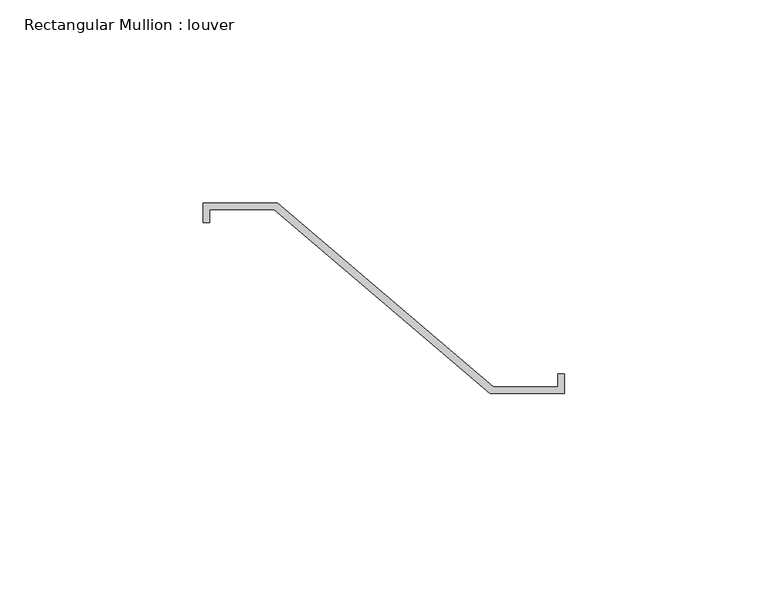
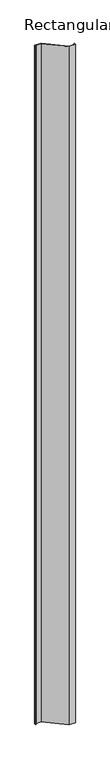
"""IFC4 building model written with IfcOpenShell, lengths in millimetres: member geometry, Rectangular Mullion : louver."""

import ifcopenshell
import ifcopenshell.guid

model = None  # the IFC model being written
_history = None  # IfcOwnerHistory: only IFC2X3 demands one
_inside = {}  # id of a spatial element -> (the spatial element, [elements in it])
_under = {}  # id of a project, library or spatial element -> (it, [spatial elements below it])
_declared = {}  # id of a project -> (the project, [libraries it declares])
_typed = {}  # id of a type object -> (the type object, [elements of that type])
_made_of = {}  # id of a material, layer set ... -> (it, [elements and type objects made of it])


def new_model(schema):
    """Start an empty IFC model of exactly this schema.

    Asked for "IFC4X3", IfcOpenShell would pick the latest addendum, in which some entities
    have other attributes; the version numbers below select the first issue.
    IFC2X3 requires an IfcOwnerHistory on every rooted entity: one is made here for all.
    """
    global model, _history
    if schema == "IFC4X3":
        model = ifcopenshell.file(schema_version=(4, 3, 0, 0))
    else:
        model = ifcopenshell.file(schema=schema)
    _inside.clear()
    _under.clear()
    _declared.clear()
    _typed.clear()
    _made_of.clear()
    _history = None
    if model.schema == "IFC2X3":
        org = make("IfcOrganization", Name="unknown")
        user = make(
            "IfcPersonAndOrganization",
            ThePerson=make("IfcPerson", FamilyName="unknown"),
            TheOrganization=org,
        )
        app = make(
            "IfcApplication",
            ApplicationDeveloper=org,
            Version="unknown",
            ApplicationFullName="unknown",
            ApplicationIdentifier="unknown",
        )
        _history = make(
            "IfcOwnerHistory",
            OwningUser=user,
            OwningApplication=app,
            ChangeAction="ADDED",
            CreationDate=0,
        )
    return model


def make(cls, **values):
    """One entity of the class cls with the attributes given. An attribute that is None is left unset."""
    return model.create_entity(
        cls, **{name: value for name, value in values.items() if value is not None}
    )


def rooted(cls, **values):
    """An entity with a GlobalId (a new one), such as an element, a storey or a relation."""
    return make(cls, GlobalId=ifcopenshell.guid.new(), OwnerHistory=_history, **values)


def si_unit(unit_type, name, prefix=None):
    """IfcSIUnit, for example si_unit("LENGTHUNIT", "METRE", prefix="MILLI")."""
    return make("IfcSIUnit", UnitType=unit_type, Prefix=prefix, Name=name)


def assignment(units):
    """IfcUnitAssignment: the units of a project."""
    return None if units is None else make("IfcUnitAssignment", Units=units)


def point(xyz):
    """IfcCartesianPoint."""
    return None if xyz is None else make("IfcCartesianPoint", Coordinates=xyz)


def direction(xyz):
    """IfcDirection."""
    return None if xyz is None else make("IfcDirection", DirectionRatios=xyz)


def frame(location, z_axis=None, x_axis=None):
    """IfcAxis2Placement3D, a coordinate frame: its origin and axes. An axis left out is left unset."""
    return make(
        "IfcAxis2Placement3D",
        Location=point(location),
        Axis=direction(z_axis),
        RefDirection=direction(x_axis),
    )


def origin():
    """The frame at (0, 0, 0) with its axes left unset."""
    return frame((0.0, 0.0, 0.0))


def place(relative_to, where):
    """IfcLocalPlacement: puts the frame where relative to a parent placement (None: the world)."""
    return make(
        "IfcLocalPlacement", PlacementRelTo=relative_to, RelativePlacement=where
    )


def context(
    kind, dimensions, precision=None, world=None, true_north=None, identifier=None
):
    """IfcGeometricRepresentationContext, for example the 3D "Model" context."""
    return make(
        "IfcGeometricRepresentationContext",
        ContextIdentifier=identifier,
        ContextType=kind,
        CoordinateSpaceDimension=dimensions,
        Precision=precision,
        WorldCoordinateSystem=world,
        TrueNorth=true_north,
    )


def project(units=None, contexts=None):
    """IfcProject with its units and contexts."""
    return rooted(
        "IfcProject",
        Name="project",
        RepresentationContexts=contexts,
        UnitsInContext=assignment(units),
    )


def spatial(cls, under=None, at=None, **own):
    """A site, building, storey or space (cls), placed at a placement, below another one or the project."""
    s = rooted(cls, ObjectPlacement=at, **own)
    if under is not None:
        _under.setdefault(under.id(), (under, []))[1].append(s)
    return s


def polyline(points):
    """IfcPolyline through the points."""
    return make("IfcPolyline", Points=[point(p) for p in points])


def outline(outer, holes=None, kind="AREA"):
    """IfcArbitraryClosedProfileDef: a profile drawn as a closed curve; with holes, ...WithVoids."""
    if holes is None:
        return make("IfcArbitraryClosedProfileDef", ProfileType=kind, OuterCurve=outer)
    return make(
        "IfcArbitraryProfileDefWithVoids",
        ProfileType=kind,
        OuterCurve=outer,
        InnerCurves=holes,
    )


def extrude(swept, where, along, depth):
    """IfcExtrudedAreaSolid: the profile swept, set in the frame where, extruded along a direction by depth."""
    return make(
        "IfcExtrudedAreaSolid",
        SweptArea=swept,
        Position=where,
        ExtrudedDirection=direction(along),
        Depth=depth,
    )


def shape(context_of_items, identifier, shape_type, items):
    """IfcShapeRepresentation: the items that make up one representation, for example the "Body"."""
    return make(
        "IfcShapeRepresentation",
        ContextOfItems=context_of_items,
        RepresentationIdentifier=identifier,
        RepresentationType=shape_type,
        Items=items,
    )


def source(mapping_origin, context_of_items, identifier, shape_type, items):
    """IfcRepresentationMap: a shape defined once, which mapped items show again and again."""
    return make(
        "IfcRepresentationMap",
        MappingOrigin=mapping_origin,
        MappedRepresentation=shape(context_of_items, identifier, shape_type, items),
    )


def transform(
    local_origin,
    x_axis=None,
    y_axis=None,
    z_axis=None,
    scale=None,
    scale2=None,
    scale3=None,
    uniform=True,
):
    """IfcCartesianTransformationOperator3D, or its non-uniform kind. x_axis, y_axis, z_axis: its Axis1, 2, 3."""
    if uniform:
        return make(
            "IfcCartesianTransformationOperator3D",
            Axis1=direction(x_axis),
            Axis2=direction(y_axis),
            LocalOrigin=point(local_origin),
            Scale=scale,
            Axis3=direction(z_axis),
        )
    return make(
        "IfcCartesianTransformationOperator3DnonUniform",
        Axis1=direction(x_axis),
        Axis2=direction(y_axis),
        LocalOrigin=point(local_origin),
        Scale=scale,
        Axis3=direction(z_axis),
        Scale2=scale2,
        Scale3=scale3,
    )


def mapped(mapping_source, mapping_target):
    """IfcMappedItem: shows the shape of a source again, moved by a transform."""
    return make(
        "IfcMappedItem", MappingSource=mapping_source, MappingTarget=mapping_target
    )


def made_of(thing, what):
    """Note that an element or type object is made of a material, layer set ...; save() writes the relation."""
    if what is not None:
        _made_of.setdefault(what.id(), (what, []))[1].append(thing)
    return thing


def element(
    cls,
    number,
    at=None,
    inside=None,
    cuts=None,
    type_object=None,
    material=None,
    context=None,
    identifier="Body",
    shape_type=None,
    held_by="IfcProductDefinitionShape",
    body=None,
    shapes=None,
    **own,
):
    """One element of the class cls, such as IfcWall. Its Tag is "e" and its number.

    at: its placement. inside: the storey or other place that contains it. cuts: it is an
    opening in that element (IfcRelVoidsElement). A single representation is given by context,
    identifier, shape_type and body (its items); several are given by shapes. held_by: the class
    of the entity that holds the representations. save() writes the other relations.
    """
    e = rooted(cls, Tag="e%d" % number, ObjectPlacement=at, **own)
    if body is not None:
        shapes = [shape(context, identifier, shape_type, body)]
    if shapes is not None:
        e.Representation = make(held_by, Representations=shapes)
    if inside is not None:
        _inside.setdefault(inside.id(), (inside, []))[1].append(e)
    if cuts is not None:
        rooted(
            "IfcRelVoidsElement", RelatingBuildingElement=cuts, RelatedOpeningElement=e
        )
    if type_object is not None:
        _typed.setdefault(type_object.id(), (type_object, []))[1].append(e)
    return made_of(e, material)


def aggregate(whole, parts):
    """IfcRelAggregates: a whole, such as a stair, and the parts it consists of."""
    return rooted("IfcRelAggregates", RelatingObject=whole, RelatedObjects=parts)


def save(model, path):
    """Write the relations noted so far, then the file.

    IfcRelAggregates (storeys below a building ...), IfcRelContainedInSpatialStructure (elements
    in a storey), IfcRelDefinesByType, IfcRelAssociatesMaterial and IfcRelDeclares: one each for
    every whole, place, type object, material and project.
    """
    for whole, parts in _under.values():
        aggregate(whole, parts)
    for where, things in _inside.values():
        rooted(
            "IfcRelContainedInSpatialStructure",
            RelatedElements=things,
            RelatingStructure=where,
        )
    for kind, things in _typed.values():
        rooted("IfcRelDefinesByType", RelatedObjects=things, RelatingType=kind)
    for what, things in _made_of.values():
        rooted("IfcRelAssociatesMaterial", RelatedObjects=things, RelatingMaterial=what)
    for by, libraries in _declared.values():
        rooted("IfcRelDeclares", RelatingContext=by, RelatedDefinitions=libraries)
    model.write(path)


def rectangular_mullion_louver_a8ad2d67(model_context):
    return source(origin(), model_context, "Body", "SweptSolid", [
        extrude(outline(polyline([(-44.846875, 22.621875), (-26.590625, 22.621875), (26.590625, -22.621875), (42.465625, -22.621875), (42.465625, -19.446875), (44.053125, -19.446875), (44.053125, -24.209375), (25.796875, -24.209375), (-27.384375, 21.034375), (-43.259375, 21.034375), (-43.259375, 17.859375), (-44.846875, 17.859375), (-44.846875, 22.621875)])), frame((0.0, 0.0, -2047.2781716), z_axis=(0.0, 0.0, 1.0), x_axis=(1.0, 0.0, 0.0)), (0.0, 0.0, 1.0), 2047.2781716),
    ])


if __name__ == "__main__":
    model = new_model("IFC4")
    model_context = context("Model", 3, world=origin())
    ifc_project = project(units=[si_unit("LENGTHUNIT", "METRE", prefix="MILLI")], contexts=[model_context])
    site = spatial("IfcSite", under=ifc_project)
    building = spatial("IfcBuilding", under=site)
    placement = place(None, origin())
    rectangular_mullion_louver_shape = rectangular_mullion_louver_a8ad2d67(model_context)
    element("IfcMember", 1, ObjectType="Rectangular Mullion : louver", at=placement, inside=building, context=model_context, shape_type="MappedRepresentation", body=[
        mapped(rectangular_mullion_louver_shape, transform((0.0, 0.0, 0.0), x_axis=(1.0, 0.0, 0.0), y_axis=(0.0, 1.0, 0.0), z_axis=(0.0, 0.0, 1.0))),
    ])
    save(model, "model.ifc")
